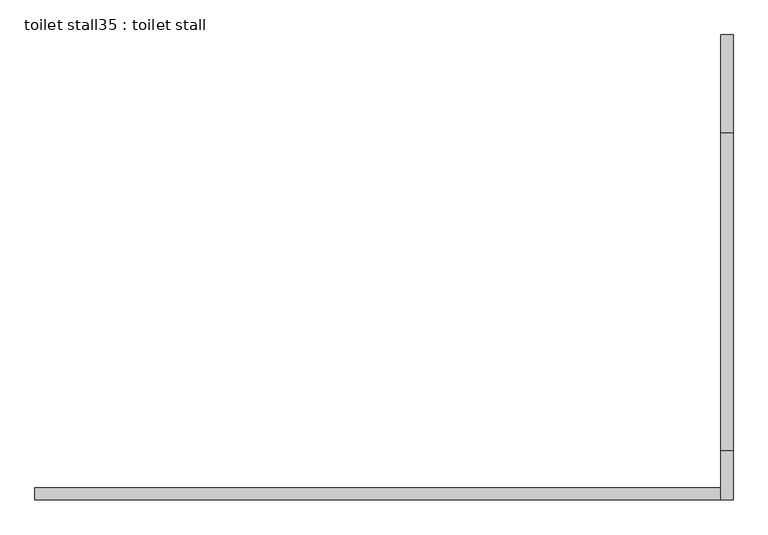
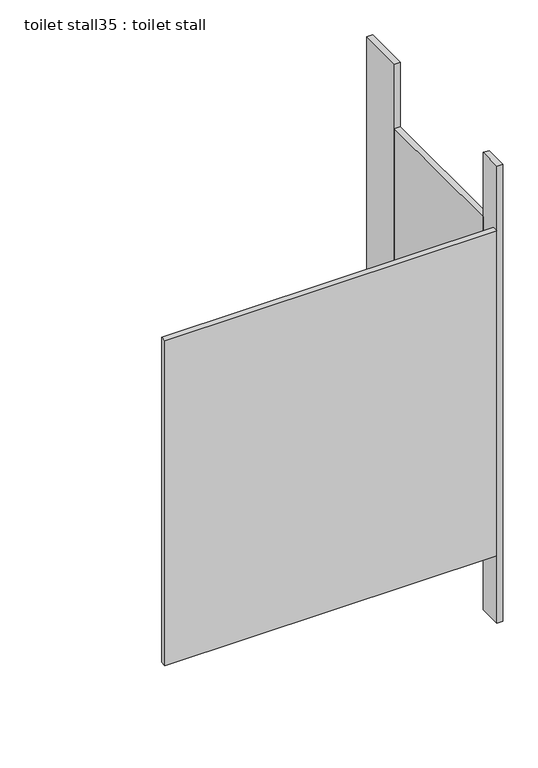
"""IFC4 building model written with IfcOpenShell, lengths in millimetres: proxy geometry, toilet stall35 : toilet stall."""

import ifcopenshell
import ifcopenshell.guid

model = None  # the IFC model being written
_history = None  # IfcOwnerHistory: only IFC2X3 demands one
_inside = {}  # id of a spatial element -> (the spatial element, [elements in it])
_under = {}  # id of a project, library or spatial element -> (it, [spatial elements below it])
_declared = {}  # id of a project -> (the project, [libraries it declares])
_typed = {}  # id of a type object -> (the type object, [elements of that type])
_made_of = {}  # id of a material, layer set ... -> (it, [elements and type objects made of it])


def new_model(schema):
    """Start an empty IFC model of exactly this schema.

    Asked for "IFC4X3", IfcOpenShell would pick the latest addendum, in which some entities
    have other attributes; the version numbers below select the first issue.
    IFC2X3 requires an IfcOwnerHistory on every rooted entity: one is made here for all.
    """
    global model, _history
    if schema == "IFC4X3":
        model = ifcopenshell.file(schema_version=(4, 3, 0, 0))
    else:
        model = ifcopenshell.file(schema=schema)
    _inside.clear()
    _under.clear()
    _declared.clear()
    _typed.clear()
    _made_of.clear()
    _history = None
    if model.schema == "IFC2X3":
        org = make("IfcOrganization", Name="unknown")
        user = make(
            "IfcPersonAndOrganization",
            ThePerson=make("IfcPerson", FamilyName="unknown"),
            TheOrganization=org,
        )
        app = make(
            "IfcApplication",
            ApplicationDeveloper=org,
            Version="unknown",
            ApplicationFullName="unknown",
            ApplicationIdentifier="unknown",
        )
        _history = make(
            "IfcOwnerHistory",
            OwningUser=user,
            OwningApplication=app,
            ChangeAction="ADDED",
            CreationDate=0,
        )
    return model


def make(cls, **values):
    """One entity of the class cls with the attributes given. An attribute that is None is left unset."""
    return model.create_entity(
        cls, **{name: value for name, value in values.items() if value is not None}
    )


def rooted(cls, **values):
    """An entity with a GlobalId (a new one), such as an element, a storey or a relation."""
    return make(cls, GlobalId=ifcopenshell.guid.new(), OwnerHistory=_history, **values)


def si_unit(unit_type, name, prefix=None):
    """IfcSIUnit, for example si_unit("LENGTHUNIT", "METRE", prefix="MILLI")."""
    return make("IfcSIUnit", UnitType=unit_type, Prefix=prefix, Name=name)


def assignment(units):
    """IfcUnitAssignment: the units of a project."""
    return None if units is None else make("IfcUnitAssignment", Units=units)


def point(xyz):
    """IfcCartesianPoint."""
    return None if xyz is None else make("IfcCartesianPoint", Coordinates=xyz)


def direction(xyz):
    """IfcDirection."""
    return None if xyz is None else make("IfcDirection", DirectionRatios=xyz)


def frame(location, z_axis=None, x_axis=None):
    """IfcAxis2Placement3D, a coordinate frame: its origin and axes. An axis left out is left unset."""
    return make(
        "IfcAxis2Placement3D",
        Location=point(location),
        Axis=direction(z_axis),
        RefDirection=direction(x_axis),
    )


def origin():
    """The frame at (0, 0, 0) with its axes left unset."""
    return frame((0.0, 0.0, 0.0))


def origin_with_axes():
    """The frame at (0, 0, 0) with the z axis (0, 0, 1) and the x axis (1, 0, 0) written out."""
    return frame((0.0, 0.0, 0.0), z_axis=(0.0, 0.0, 1.0), x_axis=(1.0, 0.0, 0.0))


def place(relative_to, where):
    """IfcLocalPlacement: puts the frame where relative to a parent placement (None: the world)."""
    return make(
        "IfcLocalPlacement", PlacementRelTo=relative_to, RelativePlacement=where
    )


def context(
    kind, dimensions, precision=None, world=None, true_north=None, identifier=None
):
    """IfcGeometricRepresentationContext, for example the 3D "Model" context."""
    return make(
        "IfcGeometricRepresentationContext",
        ContextIdentifier=identifier,
        ContextType=kind,
        CoordinateSpaceDimension=dimensions,
        Precision=precision,
        WorldCoordinateSystem=world,
        TrueNorth=true_north,
    )


def project(units=None, contexts=None):
    """IfcProject with its units and contexts."""
    return rooted(
        "IfcProject",
        Name="project",
        RepresentationContexts=contexts,
        UnitsInContext=assignment(units),
    )


def spatial(cls, under=None, at=None, **own):
    """A site, building, storey or space (cls), placed at a placement, below another one or the project."""
    s = rooted(cls, ObjectPlacement=at, **own)
    if under is not None:
        _under.setdefault(under.id(), (under, []))[1].append(s)
    return s


def polyline(points):
    """IfcPolyline through the points."""
    return make("IfcPolyline", Points=[point(p) for p in points])


def outline(outer, holes=None, kind="AREA"):
    """IfcArbitraryClosedProfileDef: a profile drawn as a closed curve; with holes, ...WithVoids."""
    if holes is None:
        return make("IfcArbitraryClosedProfileDef", ProfileType=kind, OuterCurve=outer)
    return make(
        "IfcArbitraryProfileDefWithVoids",
        ProfileType=kind,
        OuterCurve=outer,
        InnerCurves=holes,
    )


def extrude(swept, where, along, depth):
    """IfcExtrudedAreaSolid: the profile swept, set in the frame where, extruded along a direction by depth."""
    return make(
        "IfcExtrudedAreaSolid",
        SweptArea=swept,
        Position=where,
        ExtrudedDirection=direction(along),
        Depth=depth,
    )


def shape(context_of_items, identifier, shape_type, items):
    """IfcShapeRepresentation: the items that make up one representation, for example the "Body"."""
    return make(
        "IfcShapeRepresentation",
        ContextOfItems=context_of_items,
        RepresentationIdentifier=identifier,
        RepresentationType=shape_type,
        Items=items,
    )


def source(mapping_origin, context_of_items, identifier, shape_type, items):
    """IfcRepresentationMap: a shape defined once, which mapped items show again and again."""
    return make(
        "IfcRepresentationMap",
        MappingOrigin=mapping_origin,
        MappedRepresentation=shape(context_of_items, identifier, shape_type, items),
    )


def transform(
    local_origin,
    x_axis=None,
    y_axis=None,
    z_axis=None,
    scale=None,
    scale2=None,
    scale3=None,
    uniform=True,
):
    """IfcCartesianTransformationOperator3D, or its non-uniform kind. x_axis, y_axis, z_axis: its Axis1, 2, 3."""
    if uniform:
        return make(
            "IfcCartesianTransformationOperator3D",
            Axis1=direction(x_axis),
            Axis2=direction(y_axis),
            LocalOrigin=point(local_origin),
            Scale=scale,
            Axis3=direction(z_axis),
        )
    return make(
        "IfcCartesianTransformationOperator3DnonUniform",
        Axis1=direction(x_axis),
        Axis2=direction(y_axis),
        LocalOrigin=point(local_origin),
        Scale=scale,
        Axis3=direction(z_axis),
        Scale2=scale2,
        Scale3=scale3,
    )


def mapped(mapping_source, mapping_target):
    """IfcMappedItem: shows the shape of a source again, moved by a transform."""
    return make(
        "IfcMappedItem", MappingSource=mapping_source, MappingTarget=mapping_target
    )


def made_of(thing, what):
    """Note that an element or type object is made of a material, layer set ...; save() writes the relation."""
    if what is not None:
        _made_of.setdefault(what.id(), (what, []))[1].append(thing)
    return thing


def element(
    cls,
    number,
    at=None,
    inside=None,
    cuts=None,
    type_object=None,
    material=None,
    context=None,
    identifier="Body",
    shape_type=None,
    held_by="IfcProductDefinitionShape",
    body=None,
    shapes=None,
    **own,
):
    """One element of the class cls, such as IfcWall. Its Tag is "e" and its number.

    at: its placement. inside: the storey or other place that contains it. cuts: it is an
    opening in that element (IfcRelVoidsElement). A single representation is given by context,
    identifier, shape_type and body (its items); several are given by shapes. held_by: the class
    of the entity that holds the representations. save() writes the other relations.
    """
    e = rooted(cls, Tag="e%d" % number, ObjectPlacement=at, **own)
    if body is not None:
        shapes = [shape(context, identifier, shape_type, body)]
    if shapes is not None:
        e.Representation = make(held_by, Representations=shapes)
    if inside is not None:
        _inside.setdefault(inside.id(), (inside, []))[1].append(e)
    if cuts is not None:
        rooted(
            "IfcRelVoidsElement", RelatingBuildingElement=cuts, RelatedOpeningElement=e
        )
    if type_object is not None:
        _typed.setdefault(type_object.id(), (type_object, []))[1].append(e)
    return made_of(e, material)


def aggregate(whole, parts):
    """IfcRelAggregates: a whole, such as a stair, and the parts it consists of."""
    return rooted("IfcRelAggregates", RelatingObject=whole, RelatedObjects=parts)


def save(model, path):
    """Write the relations noted so far, then the file.

    IfcRelAggregates (storeys below a building ...), IfcRelContainedInSpatialStructure (elements
    in a storey), IfcRelDefinesByType, IfcRelAssociatesMaterial and IfcRelDeclares: one each for
    every whole, place, type object, material and project.
    """
    for whole, parts in _under.values():
        aggregate(whole, parts)
    for where, things in _inside.values():
        rooted(
            "IfcRelContainedInSpatialStructure",
            RelatedElements=things,
            RelatingStructure=where,
        )
    for kind, things in _typed.values():
        rooted("IfcRelDefinesByType", RelatedObjects=things, RelatingType=kind)
    for what, things in _made_of.values():
        rooted("IfcRelAssociatesMaterial", RelatedObjects=things, RelatingMaterial=what)
    for by, libraries in _declared.values():
        rooted("IfcRelDeclares", RelatingContext=by, RelatedDefinitions=libraries)
    model.write(path)


def toilet_stall35_toilet_stall_291ba160(model_context):
    return source(origin(), model_context, "Body", "SweptSolid", [
        extrude(outline(polyline([(458207.8504676, -333771.0955223), (458207.8504676, -333567.8955223), (458233.2504676, -333567.8955223), (458233.2504676, -333771.0955223), (458207.8504676, -333771.0955223)])), origin_with_axes(), (0.0, 0.0, 1.0), 2070.1),
        extrude(outline(polyline([(458207.8504676, -334533.0955223), (458207.8504676, -334431.4955223), (458233.2504676, -334431.4955223), (458233.2504676, -334533.0955223), (458207.8504676, -334533.0955223)])), origin_with_axes(), (0.0, 0.0, 1.0), 2070.1),
        extrude(outline(polyline([(458207.8504676, -334533.0955223), (456785.4504676, -334533.0955223), (456785.4504676, -334507.6955223), (458207.8504676, -334507.6955223), (458207.8504676, -334533.0955223)])), frame((0.0, 0.0, 304.8), z_axis=(0.0, 0.0, 1.0), x_axis=(1.0, 0.0, 0.0)), (0.0, 0.0, 1.0), 1473.2),
        extrude(outline(polyline([(458207.8504676, -334431.4955223), (458207.8504676, -333771.0955223), (458233.2504676, -333771.0955223), (458233.2504676, -334431.4955223), (458207.8504676, -334431.4955223)])), frame((0.0, 0.0, 304.8), z_axis=(0.0, 0.0, 1.0), x_axis=(1.0, 0.0, 0.0)), (0.0, 0.0, 1.0), 1473.2),
    ])


if __name__ == "__main__":
    model = new_model("IFC4")
    model_context = context("Model", 3, world=origin())
    ifc_project = project(units=[si_unit("LENGTHUNIT", "METRE", prefix="MILLI")], contexts=[model_context])
    site = spatial("IfcSite", under=ifc_project)
    building = spatial("IfcBuilding", under=site)
    placement = place(None, origin())
    toilet_stall35_toilet_stall_shape = toilet_stall35_toilet_stall_291ba160(model_context)
    element("IfcBuildingElementProxy", 1, Name="toilet stall35 : toilet stall", ObjectType="toilet stall35 : toilet stall", at=placement, inside=building, context=model_context, shape_type="MappedRepresentation", body=[
        mapped(toilet_stall35_toilet_stall_shape, transform((0.0, 0.0, 0.0), x_axis=(1.0, 0.0, 0.0), y_axis=(0.0, 1.0, 0.0), z_axis=(0.0, 0.0, 1.0))),
    ])
    save(model, "model.ifc")
